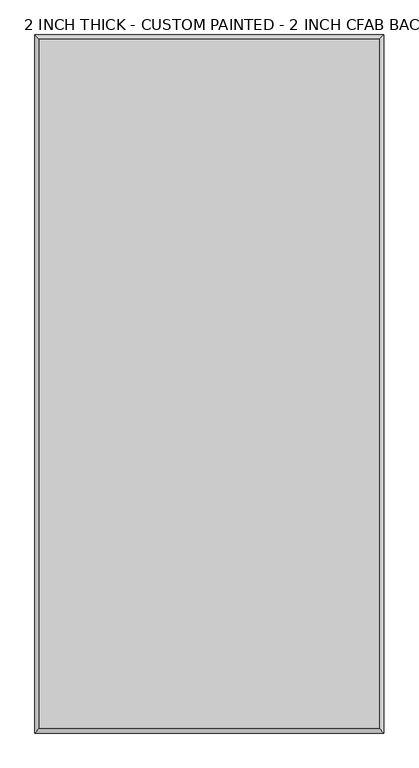
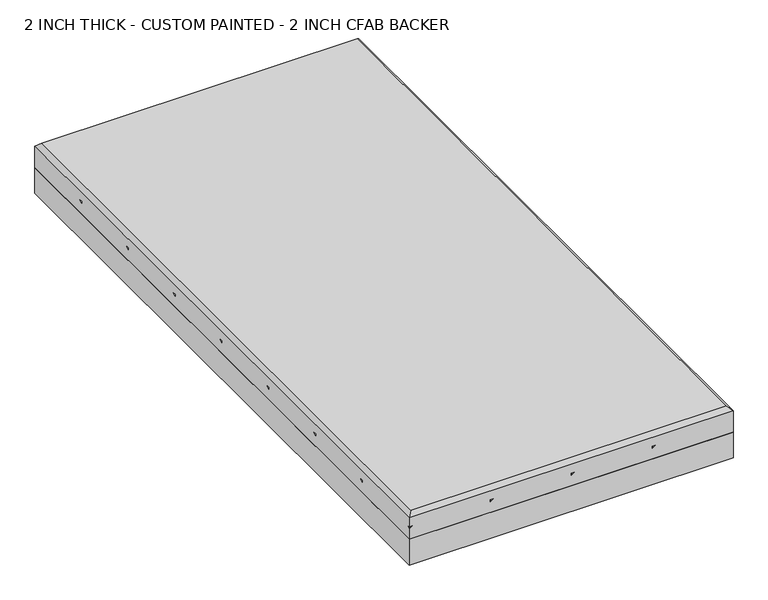
"""IFC4 building model written with IfcOpenShell, lengths in millimetres: proxy geometry, 2 INCH THICK - CUSTOM PAINTED - 2 INCH CFAB BACKER."""

from ifc_helpers import new_model, si_unit, frame, origin, place, context, project, spatial, polyline, outline, extrude, faceted_brep, source, transform, mapped, element, save


def proxy_2_inch_thick_custom_painted_2_inch_cfab_backer_e270a6c4(model_context):
    return source(origin(), model_context, "Body", "SolidModel", [
        extrude(outline(polyline([(-304.8, 609.6), (304.8, 609.6), (304.8, -609.6), (-304.8, -609.6), (-304.8, 609.6)])), frame((0.0, 0.0, -50.8), z_axis=(0.0, 0.0, 1.0), x_axis=(1.0, 0.0, 0.0)), (0.0, 0.0, 1.0), 50.8),
        faceted_brep([(296.799, 601.599, 50.8), (-296.799, 601.599, 50.8), (-296.799, -601.599, 50.8), (296.799, -601.599, 50.8), (-304.8, 609.6, 0.0), (304.8, 609.6, 0.0), (304.8, -609.6, 0.0), (-304.8, -609.6, 0.0), (-304.8, -609.6, 21.3995), (-304.8, -603.9424386, 25.4), (-304.8, -609.6, 25.4), (-304.8, -609.6, 42.799), (-304.8, 609.6, 42.799), (-304.8, 457.1995174, 25.4), (-304.8, 457.1995174, 21.3995), (-304.8, 462.8580948, 25.4), (-304.8, 304.8000254, 25.4), (-304.8, 304.8000254, 21.3995), (-304.8, 310.4575868, 25.4), (-304.8, 152.4000254, 25.4), (-304.8, 152.4000254, 21.3995), (-304.8, 158.0575836, 25.4), (-304.8, 5.08e-05, 25.4), (-304.8, 5.08e-05, 21.3995), (-304.8, 5.6575614, 25.4), (-304.8, -152.3999746, 25.4), (-304.8, -152.3999746, 21.3995), (-304.8, -146.7424132, 25.4), (-304.8, -304.7999746, 25.4), (-304.8, -304.7999746, 21.3995), (-304.8, -299.1424132, 25.4), (-304.8, -457.1999746, 25.4), (-304.8, -457.1999746, 21.3995), (-304.8, -451.5424132, 25.4), (304.8, -609.6, 42.799), (-299.1424386, -609.6, 25.4), (-152.4010414, -609.6, 21.3995), (-152.4010414, -609.6, 25.4), (-146.742464, -609.6, 25.4), (0.0, -609.6, 21.3995), (0.0, -609.6, 25.4), (5.6575611, -609.6, 25.4), (152.4004826, -609.6, 21.3995), (152.4004826, -609.6, 25.4), (158.0580345, -609.6, 25.4), (304.8, 609.6, 21.3995), (304.8, 603.9424386, 25.4), (304.8, 609.6, 25.4), (304.8, 609.6, 42.799), (304.8, 457.2000254, 25.4), (304.8, 457.2000254, 21.3995), (304.8, 451.542464, 25.4), (304.8, 304.8000254, 25.4), (304.8, 304.8000254, 21.3995), (304.8, 299.142464, 25.4), (304.8, 152.4000254, 25.4), (304.8, 152.4000254, 21.3995), (304.8, 146.742464, 25.4), (304.8, 0.0, 25.4), (304.8, 0.0, 21.3995), (304.8, -5.6575614, 25.4), (304.8, -152.3999746, 25.4), (304.8, -152.3999746, 21.3995), (304.8, -158.057536, 25.4), (304.8, -304.7999746, 25.4), (304.8, -304.7999746, 21.3995), (304.8, -310.4575362, 25.4), (304.8, -457.1999746, 25.4), (304.8, -457.1999746, 21.3995), (304.8, -462.8575454, 25.4), (299.1424386, 609.6, 25.4), (-152.4005334, 609.6, 21.3995), (-152.4005334, 609.6, 25.4), (-158.0580948, 609.6, 25.4), (-2.54e-05, 609.6, 21.3995), (-2.54e-05, 609.6, 25.4), (-5.6575868, 609.6, 25.4), (152.4004826, 609.6, 21.3995), (152.4004826, 609.6, 25.4), (146.7429181, 609.6, 25.4), (-149.5717527, 606.7712193, 25.4), (-301.9717273, 454.3712447, 25.4), (2.8287553, 606.7712193, 25.4), (-301.9712193, 301.9712447, 25.4), (155.2292617, 606.7712178, 25.4), (-301.9712209, 149.5712432, 25.4), (-301.9711939, -2.8287553, 25.4), (301.9712193, 460.0288061, 25.4), (-301.9712193, -155.2287553, 25.4), (301.9712193, 307.6288061, 25.4), (-301.9712193, -307.6287553, 25.4), (301.9712193, 155.2288061, 25.4), (-301.9712193, -460.0287553, 25.4), (301.9712193, 2.8287807, 25.4), (301.9712193, -149.5711939, 25.4), (-155.2293141, -606.7717273, 25.4), (301.9712192, -301.971194, 25.4), (-2.8287808, -606.7712194, 25.4), (301.9712146, -454.3711986, 25.4), (149.5716972, -606.771224, 25.4)], [[[0, 1, 2, 3]], [[4, 5, 6, 7]], [[4, 7, 8, 9, 10, 11, 12], [13, 14, 15], [16, 17, 18], [19, 20, 21], [22, 23, 24], [25, 26, 27], [28, 29, 30], [31, 32, 33]], [[7, 6, 34, 11, 10, 35, 8], [36, 37, 38], [39, 40, 41], [42, 43, 44]], [[6, 5, 45, 46, 47, 48, 34], [49, 50, 51], [52, 53, 54], [55, 56, 57], [58, 59, 60], [61, 62, 63], [64, 65, 66], [67, 68, 69]], [[5, 4, 12, 48, 47, 70, 45], [71, 72, 73], [74, 75, 76], [77, 78, 79]], [[12, 1, 0, 48]], [[1, 12, 11, 2]], [[2, 11, 34, 3]], [[48, 0, 3, 34]], [[14, 71, 73, 15]], [[80, 71, 14, 81]], [[17, 74, 76, 18]], [[82, 74, 17, 83]], [[20, 77, 79, 21]], [[84, 77, 20, 85]], [[23, 45, 70, 24]], [[23, 86, 46, 45]], [[50, 87, 27, 26]], [[26, 88, 51, 50]], [[53, 89, 30, 29]], [[29, 90, 54, 53]], [[56, 91, 33, 32]], [[32, 92, 57, 56]], [[59, 93, 9, 8]], [[59, 8, 35, 60]], [[62, 94, 95, 36]], [[62, 36, 38, 63]], [[65, 96, 97, 39]], [[65, 39, 41, 66]], [[68, 98, 99, 42]], [[68, 42, 44, 69]], [[71, 80, 72]], [[81, 14, 13]], [[80, 81, 13, 15, 73, 72]], [[74, 82, 75]], [[83, 17, 16]], [[82, 83, 16, 18, 76, 75]], [[77, 84, 78]], [[85, 20, 19]], [[84, 85, 19, 21, 79, 78]], [[86, 23, 22]], [[86, 22, 24, 70, 47, 46]], [[87, 50, 49]], [[88, 26, 25]], [[87, 49, 51, 88, 25, 27]], [[89, 53, 52]], [[90, 29, 28]], [[89, 52, 54, 90, 28, 30]], [[91, 56, 55]], [[92, 32, 31]], [[91, 55, 57, 92, 31, 33]], [[93, 59, 58]], [[93, 58, 60, 35, 10, 9]], [[94, 62, 61]], [[36, 95, 37]], [[95, 94, 61, 63, 38, 37]], [[96, 65, 64]], [[39, 97, 40]], [[97, 96, 64, 66, 41, 40]], [[98, 68, 67]], [[42, 99, 43]], [[99, 98, 67, 69, 44, 43]]]),
    ])


if __name__ == "__main__":
    model = new_model("IFC4")
    model_context = context("Model", 3, world=origin())
    ifc_project = project(units=[si_unit("LENGTHUNIT", "METRE", prefix="MILLI")], contexts=[model_context])
    site = spatial("IfcSite", under=ifc_project)
    building = spatial("IfcBuilding", under=site)
    placement = place(None, origin())
    proxy_2_inch_thick_custom_painted_2_inch_cfab_backer_shape = proxy_2_inch_thick_custom_painted_2_inch_cfab_backer_e270a6c4(model_context)
    element("IfcBuildingElementProxy", 1, Name="2 INCH THICK - CUSTOM PAINTED - 2 INCH CFAB BACKER", ObjectType="2 INCH THICK - CUSTOM PAINTED - 2 INCH CFAB BACKER", at=placement, inside=building, context=model_context, shape_type="MappedRepresentation", body=[
        mapped(proxy_2_inch_thick_custom_painted_2_inch_cfab_backer_shape, transform((0.0, 0.0, 0.0), x_axis=(1.0, 0.0, 0.0), y_axis=(0.0, 1.0, 0.0), z_axis=(0.0, 0.0, 1.0))),
    ])
    save(model, "model.ifc")
